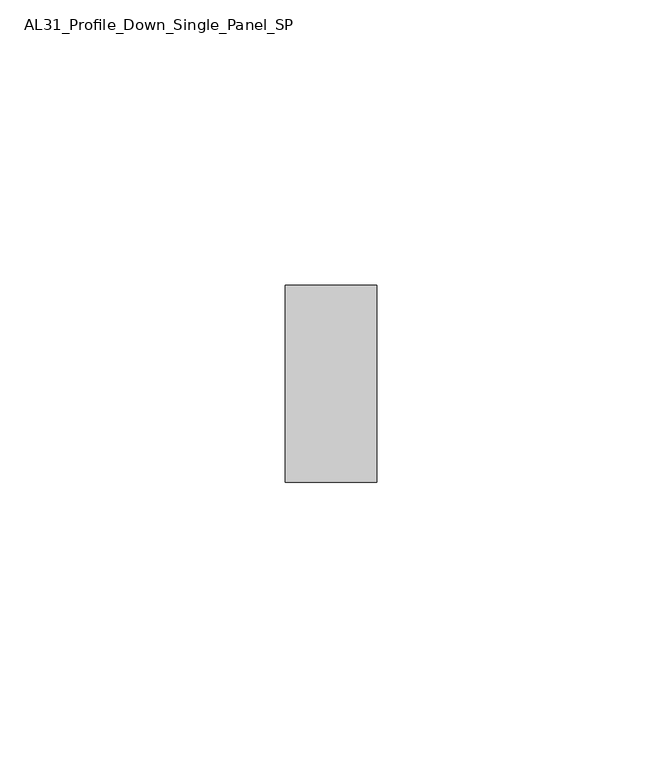
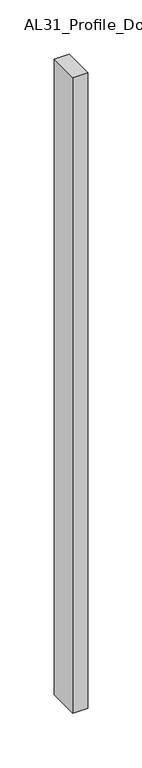
"""IFC4 building model written with IfcOpenShell, lengths in millimetres: member geometry, AL31_Profile_Down_Single_Panel_SP."""

from ifc_helpers import new_model, si_unit, frame, origin, place, context, project, spatial, polyline, outline, extrude, source, transform, mapped, element, save


def al31_profile_down_single_panel_sp_047dc720(model_context):
    return source(origin(), model_context, "Body", "SweptSolid", [
        extrude(outline(polyline([(0.0, 17.25), (0.0, -17.25), (-16.0, -17.25), (-16.0, 17.25), (0.0, 17.25)])), frame((0.0, 0.0, -717.1023466), z_axis=(0.0, 0.0, 1.0), x_axis=(1.0, 0.0, 0.0)), (0.0, 0.0, 1.0), 717.1023466),
    ])


if __name__ == "__main__":
    model = new_model("IFC4")
    model_context = context("Model", 3, world=origin())
    ifc_project = project(units=[si_unit("LENGTHUNIT", "METRE", prefix="MILLI")], contexts=[model_context])
    site = spatial("IfcSite", under=ifc_project)
    building = spatial("IfcBuilding", under=site)
    placement = place(None, origin())
    al31_profile_down_single_panel_sp_shape = al31_profile_down_single_panel_sp_047dc720(model_context)
    element("IfcMember", 1, ObjectType="AL31_Profile_Down_Single_Panel_SP", at=placement, inside=building, context=model_context, shape_type="MappedRepresentation", body=[
        mapped(al31_profile_down_single_panel_sp_shape, transform((0.0, 0.0, 0.0), x_axis=(1.0, 0.0, 0.0), y_axis=(0.0, 1.0, 0.0), z_axis=(0.0, 0.0, 1.0))),
    ])
    save(model, "model.ifc")
